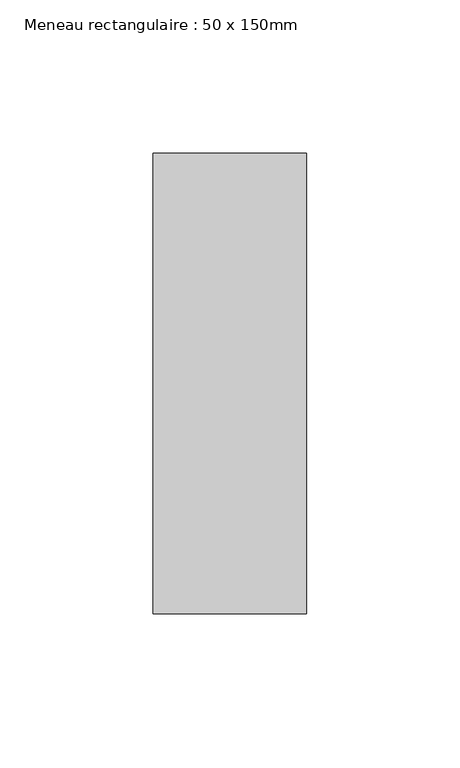
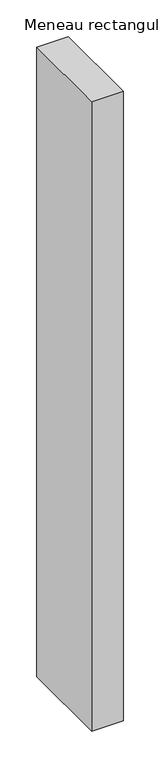
"""IFC4 building model written with IfcOpenShell, lengths in millimetres: member geometry, Meneau rectangulaire : 50 x 150mm."""

from ifc_helpers import new_model, si_unit, frame, origin, place, context, project, spatial, polyline, outline, extrude, source, transform, mapped, element, save


def meneau_rectangulaire_50_x_150mm_1a36453b(model_context):
    return source(origin(), model_context, "Body", "SweptSolid", [
        extrude(outline(polyline([(0.0, 75.0), (0.0, -75.0), (-50.0, -75.0), (-50.0, 75.0), (0.0, 75.0)])), frame((0.0, 0.0, -1050.0), z_axis=(0.0, 0.0, 1.0), x_axis=(1.0, 0.0, 0.0)), (0.0, 0.0, 1.0), 1050.0),
    ])


if __name__ == "__main__":
    model = new_model("IFC4")
    model_context = context("Model", 3, world=origin())
    ifc_project = project(units=[si_unit("LENGTHUNIT", "METRE", prefix="MILLI")], contexts=[model_context])
    site = spatial("IfcSite", under=ifc_project)
    building = spatial("IfcBuilding", under=site)
    placement = place(None, origin())
    meneau_rectangulaire_50_x_150mm_shape = meneau_rectangulaire_50_x_150mm_1a36453b(model_context)
    element("IfcMember", 1, ObjectType="Meneau rectangulaire : 50 x 150mm", at=placement, inside=building, context=model_context, shape_type="MappedRepresentation", body=[
        mapped(meneau_rectangulaire_50_x_150mm_shape, transform((0.0, 0.0, 0.0), x_axis=(1.0, 0.0, 0.0), y_axis=(0.0, 1.0, 0.0), z_axis=(0.0, 0.0, 1.0))),
    ])
    save(model, "model.ifc")
